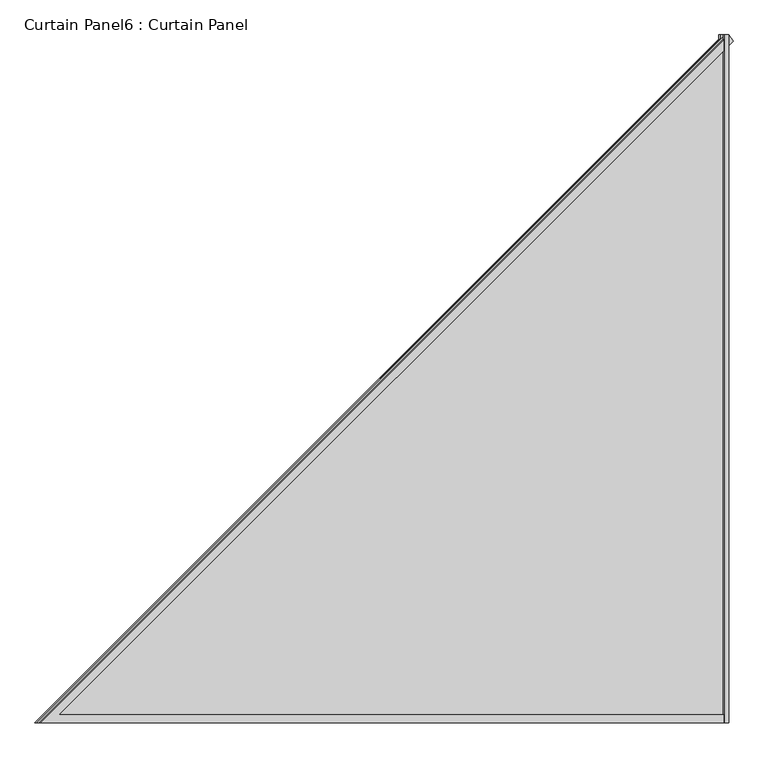
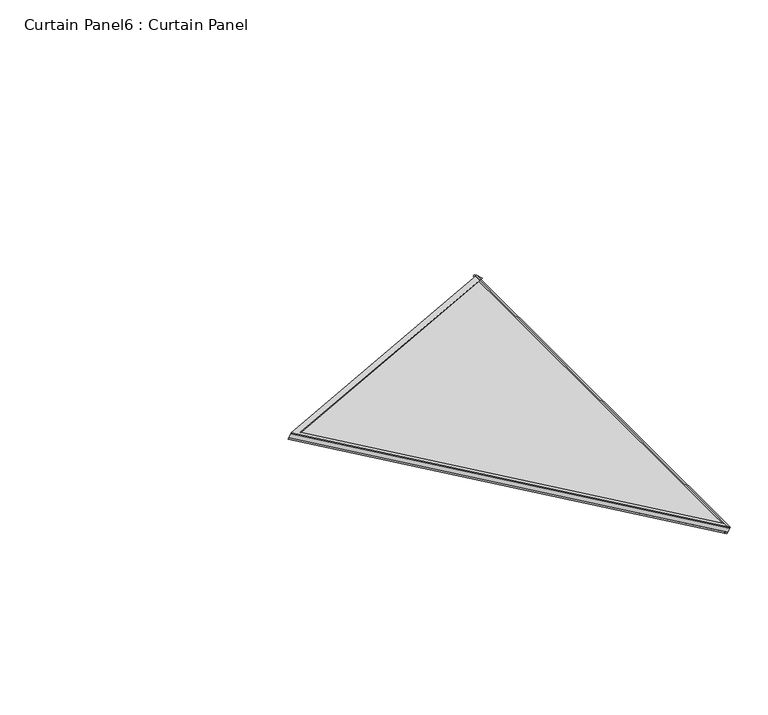
"""IFC4 building model written with IfcOpenShell, lengths in millimetres: plate geometry, Curtain Panel6 : Curtain Panel."""

from ifc_helpers import new_model, si_unit, frame, origin, place, context, project, spatial, polyline, outline, extrude, source, transform, mapped, element, save


def curtain_panel6_curtain_panel_ee3359be(model_context):
    return source(origin(), model_context, "Body", "SweptSolid", [
        extrude(outline(polyline([(0.0, -11.1125), (0.0, 0.0), (1495.9937307, 0.0), (1495.9937307, -11.1125), (0.0, -11.1125)])), frame((13470.8478738, -9700.4389432, 920.0125826), z_axis=(0.49997000269992703, 0.0, 0.866042722041029), x_axis=(0.0, 1.0, 0.0)), (0.0, 0.0, 1.0), 4.2725032),
        extrude(outline(polyline([(0.0, -11.1125), (0.0, 0.0), (1495.9937307, 0.0), (1495.9937307, -11.1125), (0.0, -11.1125)])), frame((13461.7446356, -9700.4389432, 904.2452879), z_axis=(0.49997000269992703, 0.0, 0.866042722041029), x_axis=(0.0, 1.0, 0.0)), (0.0, 0.0, 1.0), 4.613287),
        extrude(outline(polyline([(0.0, -17.4752001), (0.0, 0.0), (2238.2957382, -1e-07), (967.9181693, 1100.179247), (979.3583731, 1113.3892565), (2285.16817, -17.4752001), (0.0, -17.4752001)])), frame((13490.3797033, -8217.6552221, 908.7360416), z_axis=(0.5000000000000009, 0.0, 0.8660254037844382), x_axis=(-0.654653670707977, -0.6546536707079755, 0.3779644730092303)), (0.0, 0.0, 1.0), 4.0739219),
        extrude(outline(polyline([(-1e-07, -11.1252), (0.0, 0.0), (2255.3278718, -1e-07), (972.0752201, 1111.3293958), (979.3583731, 1119.7392565), (2285.1681699, -11.1252), (-1e-07, -11.1252)])), frame((13477.5770526, -8212.8550733, 894.8753018), z_axis=(0.5000000000000012, 0.0, 0.866025403784438), x_axis=(-0.6546536707079766, -0.6546536707079758, 0.3779644730092306)), (0.0, 0.0, 1.0), 4.8121094),
        extrude(outline(polyline([(66.1241689, 0.0), (1562.1178996, 0.0), (1562.1178996, -1727.4247664), (66.1241689, 0.0)])), frame((13473.6757118, -8138.3210436, 902.6842872), z_axis=(0.49999999999999867, 0.0, 0.8660254037844395), x_axis=(0.0, -1.0, 0.0)), (0.0, 0.0, 1.0), 13.5929687),
    ])


if __name__ == "__main__":
    model = new_model("IFC4")
    model_context = context("Model", 3, world=origin())
    ifc_project = project(units=[si_unit("LENGTHUNIT", "METRE", prefix="MILLI")], contexts=[model_context])
    site = spatial("IfcSite", under=ifc_project)
    building = spatial("IfcBuilding", under=site)
    placement = place(None, origin())
    curtain_panel6_curtain_panel_shape = curtain_panel6_curtain_panel_ee3359be(model_context)
    element("IfcPlate", 1, ObjectType="Curtain Panel6 : Curtain Panel", at=placement, inside=building, context=model_context, shape_type="MappedRepresentation", body=[
        mapped(curtain_panel6_curtain_panel_shape, transform((0.0, 0.0, 0.0), x_axis=(1.0, 0.0, 0.0), y_axis=(0.0, 1.0, 0.0), z_axis=(0.0, 0.0, 1.0))),
    ])
    save(model, "model.ifc")
